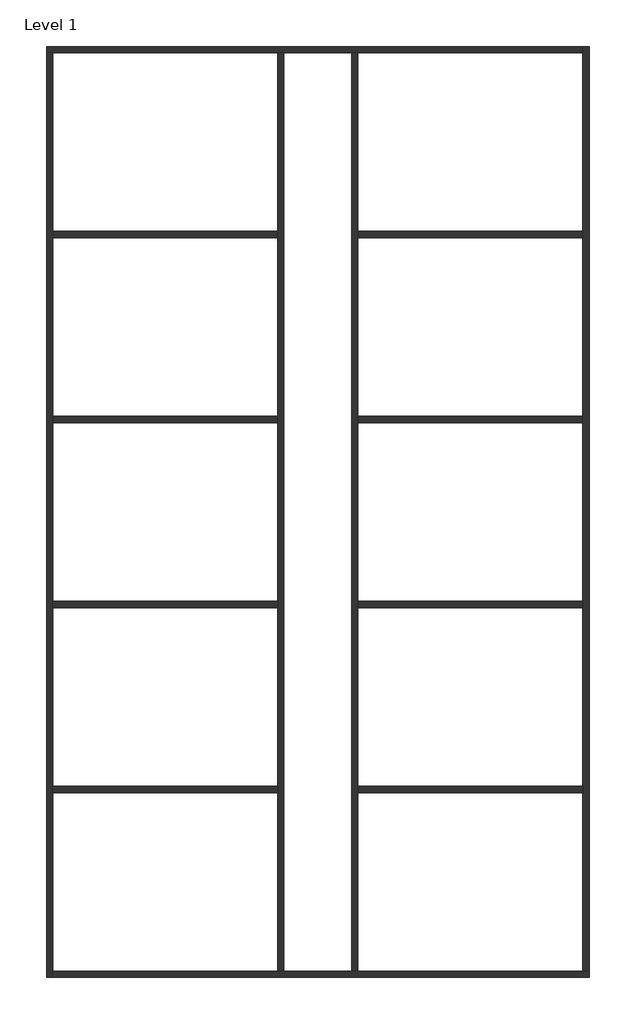
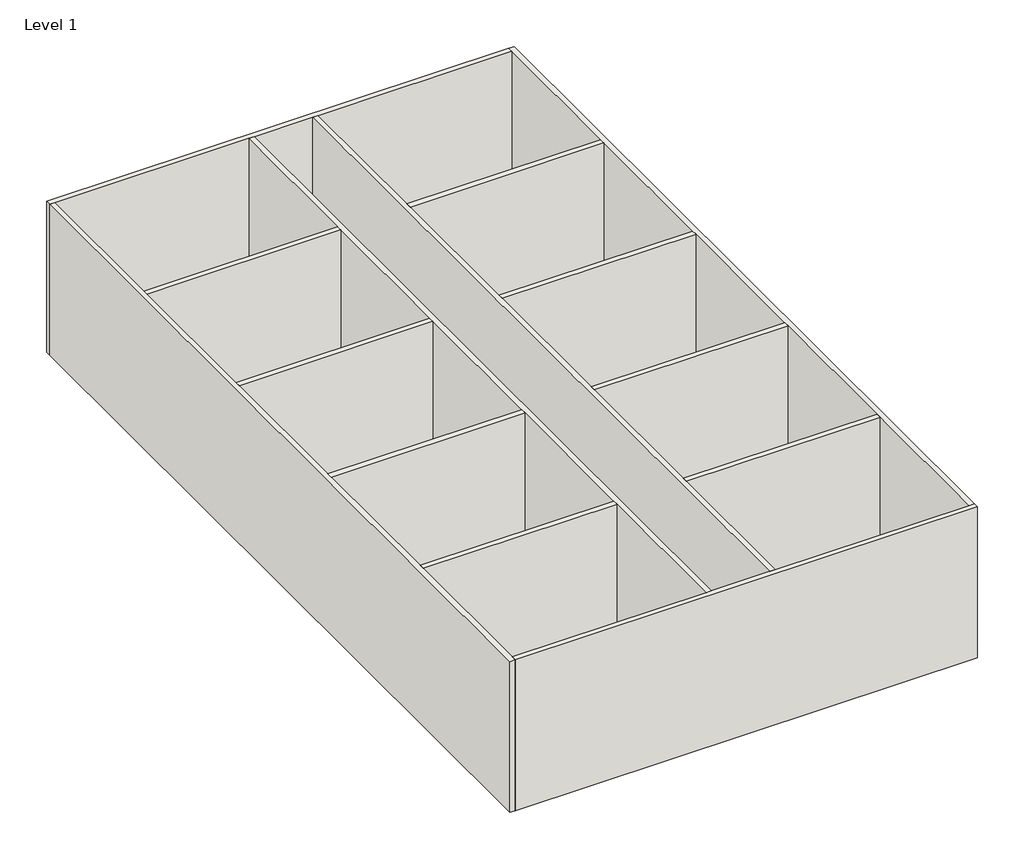
# One storey: 14 walls.
"""IFC4 building model written with IfcOpenShell, lengths in millimetres."""

from ifc_helpers import new_model, si_unit, origin, origin_with_axes, place, context, project, spatial, polyline, outline, extrude, faceted_brep, element, save

model = new_model("IFC4")

# Units and contexts
model_context = context("Model", 3, world=origin())
ifc_project = project(units=[si_unit("LENGTHUNIT", "METRE", prefix="MILLI")], contexts=[model_context])

# Site, building, storey
site = spatial("IfcSite", under=ifc_project)
building = spatial("IfcBuilding", under=site)
storey = spatial("IfcBuildingStorey", under=building, Name="Level 1", Elevation=0.0)

# Walls
placement = place(None, origin())
element("IfcWall", 1, ObjectType="Generic - 8\"", at=placement, inside=storey, context=model_context, shape_type="Brep", body=[
    faceted_brep([(-11944.4488939, 12642.1463486, 0.0), (-11741.2488939, 12642.1463486, 0.0), (-4324.4488939, 12642.1463486, 0.0), (-4121.2488939, 12642.1463486, 0.0), (-1886.0488939, 12642.1463486, 0.0), (-1682.8488939, 12642.1463486, 0.0), (5733.9511061, 12642.1463486, 0.0), (5733.9511061, 12642.1463486, 6096.0), (-1682.8488939, 12642.1463486, 6096.0), (-1886.0488939, 12642.1463486, 6096.0), (-4121.2488939, 12642.1463486, 6096.0), (-4324.4488939, 12642.1463486, 6096.0), (-11741.2488939, 12642.1463486, 6096.0), (-11944.4488939, 12642.1463486, 6096.0), (-11944.4488939, 12845.3463486, 0.0), (-11944.4488939, 12845.3463486, 6096.0), (5733.9511061, 12845.3463486, 6096.0), (5733.9511061, 12845.3463486, 0.0)], [[[0, 1, 2, 3, 4, 5, 6, 7, 8, 9, 10, 11, 12, 13]], [[14, 15, 16, 17]], [[6, 5, 4, 3, 2, 1, 0, 14, 17]], [[13, 12, 11, 10, 9, 8, 7, 16, 15]], [[0, 13, 15, 14]], [[7, 6, 17, 16]]]),
])
element("IfcWall", 2, ObjectType="Generic - 8\"", at=placement, inside=storey, context=model_context, shape_type="Brep", body=[
    faceted_brep([(-11741.2488939, -17837.8536514, 0.0), (-11741.2488939, -17634.6536514, 0.0), (-11741.2488939, -11741.8536514, 0.0), (-11741.2488939, -11538.6536514, 0.0), (-11741.2488939, -5645.8536514, 0.0), (-11741.2488939, -5442.6536514, 0.0), (-11741.2488939, 450.1463486, 0.0), (-11741.2488939, 653.3463486, 0.0), (-11741.2488939, 6546.1463486, 0.0), (-11741.2488939, 6749.3463486, 0.0), (-11741.2488939, 12642.1463486, 0.0), (-11741.2488939, 12642.1463486, 6096.0), (-11741.2488939, 6749.3463486, 6096.0), (-11741.2488939, 6546.1463486, 6096.0), (-11741.2488939, 653.3463486, 6096.0), (-11741.2488939, 450.1463486, 6096.0), (-11741.2488939, -5442.6536514, 6096.0), (-11741.2488939, -5645.8536514, 6096.0), (-11741.2488939, -11538.6536514, 6096.0), (-11741.2488939, -11741.8536514, 6096.0), (-11741.2488939, -17634.6536514, 6096.0), (-11741.2488939, -17837.8536514, 6096.0), (-11944.4488939, -17837.8536514, 0.0), (-11944.4488939, -17837.8536514, 6096.0), (-11944.4488939, 12642.1463486, 6096.0), (-11944.4488939, 12642.1463486, 0.0)], [[[0, 1, 2, 3, 4, 5, 6, 7, 8, 9, 10, 11, 12, 13, 14, 15, 16, 17, 18, 19, 20, 21]], [[22, 23, 24, 25]], [[10, 9, 8, 7, 6, 5, 4, 3, 2, 1, 0, 22, 25]], [[21, 20, 19, 18, 17, 16, 15, 14, 13, 12, 11, 24, 23]], [[0, 21, 23, 22]], [[11, 10, 25, 24]]]),
])
element("IfcWall", 3, ObjectType="Generic - 8\"", at=placement, inside=storey, context=model_context, shape_type="Brep", body=[
    faceted_brep([(5937.1511061, -17634.6536514, 0.0), (5733.9511061, -17634.6536514, 0.0), (-1682.8488939, -17634.6536514, 0.0), (-1886.0488939, -17634.6536514, 0.0), (-4121.2488939, -17634.6536514, 0.0), (-4324.4488939, -17634.6536514, 0.0), (-11741.2488939, -17634.6536514, 0.0), (-11741.2488939, -17634.6536514, 6096.0), (-4324.4488939, -17634.6536514, 6096.0), (-4121.2488939, -17634.6536514, 6096.0), (-1886.0488939, -17634.6536514, 6096.0), (-1682.8488939, -17634.6536514, 6096.0), (5733.9511061, -17634.6536514, 6096.0), (5937.1511061, -17634.6536514, 6096.0), (5937.1511061, -17837.8536514, 0.0), (5937.1511061, -17837.8536514, 6096.0), (-11741.2488939, -17837.8536514, 6096.0), (-11741.2488939, -17837.8536514, 0.0)], [[[0, 1, 2, 3, 4, 5, 6, 7, 8, 9, 10, 11, 12, 13]], [[14, 15, 16, 17]], [[6, 5, 4, 3, 2, 1, 0, 14, 17]], [[13, 12, 11, 10, 9, 8, 7, 16, 15]], [[0, 13, 15, 14]], [[7, 6, 17, 16]]]),
])
element("IfcWall", 4, ObjectType="Generic - 8\"", at=placement, inside=storey, context=model_context, shape_type="Brep", body=[
    faceted_brep([(5733.9511061, 12845.3463486, 0.0), (5733.9511061, 12642.1463486, 0.0), (5733.9511061, 6749.3463486, 0.0), (5733.9511061, 6546.1463486, 0.0), (5733.9511061, 653.3463486, 0.0), (5733.9511061, 450.1463486, 0.0), (5733.9511061, -5442.6536514, 0.0), (5733.9511061, -5645.8536514, 0.0), (5733.9511061, -11538.6536514, 0.0), (5733.9511061, -11741.8536514, 0.0), (5733.9511061, -17634.6536514, 0.0), (5733.9511061, -17634.6536514, 6096.0), (5733.9511061, -11741.8536514, 6096.0), (5733.9511061, -11538.6536514, 6096.0), (5733.9511061, -5645.8536514, 6096.0), (5733.9511061, -5442.6536514, 6096.0), (5733.9511061, 450.1463486, 6096.0), (5733.9511061, 653.3463486, 6096.0), (5733.9511061, 6546.1463486, 6096.0), (5733.9511061, 6749.3463486, 6096.0), (5733.9511061, 12642.1463486, 6096.0), (5733.9511061, 12845.3463486, 6096.0), (5937.1511061, 12845.3463486, 0.0), (5937.1511061, 12845.3463486, 6096.0), (5937.1511061, -17634.6536514, 6096.0), (5937.1511061, -17634.6536514, 0.0)], [[[0, 1, 2, 3, 4, 5, 6, 7, 8, 9, 10, 11, 12, 13, 14, 15, 16, 17, 18, 19, 20, 21]], [[22, 23, 24, 25]], [[10, 9, 8, 7, 6, 5, 4, 3, 2, 1, 0, 22, 25]], [[21, 20, 19, 18, 17, 16, 15, 14, 13, 12, 11, 24, 23]], [[0, 21, 23, 22]], [[11, 10, 25, 24]]]),
])
element("IfcWall", 5, ObjectType="Generic - 8\"", at=placement, inside=storey, context=model_context, shape_type="Brep", body=[
    faceted_brep([(-4324.4488939, 12642.1463486, 0.0), (-4324.4488939, 6749.3463486, 0.0), (-4324.4488939, 6546.1463486, 0.0), (-4324.4488939, 653.3463486, 0.0), (-4324.4488939, 450.1463486, 0.0), (-4324.4488939, -5442.6536514, 0.0), (-4324.4488939, -5645.8536514, 0.0), (-4324.4488939, -11538.6536514, 0.0), (-4324.4488939, -11741.8536514, 0.0), (-4324.4488939, -17634.6536514, 0.0), (-4324.4488939, -17634.6536514, 6096.0), (-4324.4488939, -11741.8536514, 6096.0), (-4324.4488939, -11538.6536514, 6096.0), (-4324.4488939, -5645.8536514, 6096.0), (-4324.4488939, -5442.6536514, 6096.0), (-4324.4488939, 450.1463486, 6096.0), (-4324.4488939, 653.3463486, 6096.0), (-4324.4488939, 6546.1463486, 6096.0), (-4324.4488939, 6749.3463486, 6096.0), (-4324.4488939, 12642.1463486, 6096.0), (-4121.2488939, 12642.1463486, 0.0), (-4121.2488939, 12642.1463486, 6096.0), (-4121.2488939, -17634.6536514, 6096.0), (-4121.2488939, -17634.6536514, 0.0)], [[[0, 1, 2, 3, 4, 5, 6, 7, 8, 9, 10, 11, 12, 13, 14, 15, 16, 17, 18, 19]], [[20, 21, 22, 23]], [[9, 8, 7, 6, 5, 4, 3, 2, 1, 0, 20, 23]], [[19, 18, 17, 16, 15, 14, 13, 12, 11, 10, 22, 21]], [[0, 19, 21, 20]], [[10, 9, 23, 22]]]),
])
element("IfcWall", 6, ObjectType="Generic - 8\"", at=placement, inside=storey, context=model_context, shape_type="Brep", body=[
    faceted_brep([(-1886.0488939, 12642.1463486, 0.0), (-1886.0488939, -17634.6536514, 0.0), (-1886.0488939, -17634.6536514, 6096.0), (-1886.0488939, 12642.1463486, 6096.0), (-1682.8488939, 12642.1463486, 0.0), (-1682.8488939, 12642.1463486, 6096.0), (-1682.8488939, 6749.3463486, 6096.0), (-1682.8488939, 6546.1463486, 6096.0), (-1682.8488939, 653.3463486, 6096.0), (-1682.8488939, 450.1463486, 6096.0), (-1682.8488939, -5442.6536514, 6096.0), (-1682.8488939, -5645.8536514, 6096.0), (-1682.8488939, -11538.6536514, 6096.0), (-1682.8488939, -11741.8536514, 6096.0), (-1682.8488939, -17634.6536514, 6096.0), (-1682.8488939, -17634.6536514, 0.0), (-1682.8488939, -11741.8536514, 0.0), (-1682.8488939, -11538.6536514, 0.0), (-1682.8488939, -5645.8536514, 0.0), (-1682.8488939, -5442.6536514, 0.0), (-1682.8488939, 450.1463486, 0.0), (-1682.8488939, 653.3463486, 0.0), (-1682.8488939, 6546.1463486, 0.0), (-1682.8488939, 6749.3463486, 0.0)], [[[0, 1, 2, 3]], [[4, 5, 6, 7, 8, 9, 10, 11, 12, 13, 14, 15, 16, 17, 18, 19, 20, 21, 22, 23]], [[1, 0, 4, 23, 22, 21, 20, 19, 18, 17, 16, 15]], [[3, 2, 14, 13, 12, 11, 10, 9, 8, 7, 6, 5]], [[0, 3, 5, 4]], [[2, 1, 15, 14]]]),
])
element("IfcWall", 7, ObjectType="Generic - 8\"", at=placement, inside=storey, context=model_context, shape_type="SweptSolid", body=[
    extrude(outline(polyline([(-11741.2488939, 6546.1463486), (-11741.2488939, 6749.3463486), (-4324.4488939, 6749.3463486), (-4324.4488939, 6546.1463486), (-11741.2488939, 6546.1463486)])), origin_with_axes(), (0.0, 0.0, 1.0), 6096.0),
])
element("IfcWall", 8, ObjectType="Generic - 8\"", at=placement, inside=storey, context=model_context, shape_type="SweptSolid", body=[
    extrude(outline(polyline([(-11741.2488939, 450.1463486), (-11741.2488939, 653.3463486), (-4324.4488939, 653.3463486), (-4324.4488939, 450.1463486), (-11741.2488939, 450.1463486)])), origin_with_axes(), (0.0, 0.0, 1.0), 6096.0),
])
element("IfcWall", 9, ObjectType="Generic - 8\"", at=placement, inside=storey, context=model_context, shape_type="SweptSolid", body=[
    extrude(outline(polyline([(-11741.2488939, -5645.8536514), (-11741.2488939, -5442.6536514), (-4324.4488939, -5442.6536514), (-4324.4488939, -5645.8536514), (-11741.2488939, -5645.8536514)])), origin_with_axes(), (0.0, 0.0, 1.0), 6096.0),
])
element("IfcWall", 10, ObjectType="Generic - 8\"", at=placement, inside=storey, context=model_context, shape_type="SweptSolid", body=[
    extrude(outline(polyline([(-11741.2488939, -11741.8536514), (-11741.2488939, -11538.6536514), (-4324.4488939, -11538.6536514), (-4324.4488939, -11741.8536514), (-11741.2488939, -11741.8536514)])), origin_with_axes(), (0.0, 0.0, 1.0), 6096.0),
])
element("IfcWall", 11, ObjectType="Generic - 8\"", at=placement, inside=storey, context=model_context, shape_type="SweptSolid", body=[
    extrude(outline(polyline([(5733.9511061, 6749.3463486), (5733.9511061, 6546.1463486), (-1682.8488939, 6546.1463486), (-1682.8488939, 6749.3463486), (5733.9511061, 6749.3463486)])), origin_with_axes(), (0.0, 0.0, 1.0), 6096.0),
])
element("IfcWall", 12, ObjectType="Generic - 8\"", at=placement, inside=storey, context=model_context, shape_type="SweptSolid", body=[
    extrude(outline(polyline([(5733.9511061, 653.3463486), (5733.9511061, 450.1463486), (-1682.8488939, 450.1463486), (-1682.8488939, 653.3463486), (5733.9511061, 653.3463486)])), origin_with_axes(), (0.0, 0.0, 1.0), 6096.0),
])
element("IfcWall", 13, ObjectType="Generic - 8\"", at=placement, inside=storey, context=model_context, shape_type="SweptSolid", body=[
    extrude(outline(polyline([(5733.9511061, -5442.6536514), (5733.9511061, -5645.8536514), (-1682.8488939, -5645.8536514), (-1682.8488939, -5442.6536514), (5733.9511061, -5442.6536514)])), origin_with_axes(), (0.0, 0.0, 1.0), 6096.0),
])
element("IfcWall", 14, ObjectType="Generic - 8\"", at=placement, inside=storey, context=model_context, shape_type="SweptSolid", body=[
    extrude(outline(polyline([(5733.9511061, -11538.6536514), (5733.9511061, -11741.8536514), (-1682.8488939, -11741.8536514), (-1682.8488939, -11538.6536514), (5733.9511061, -11538.6536514)])), origin_with_axes(), (0.0, 0.0, 1.0), 6096.0),
])

save(model, "model.ifc")
